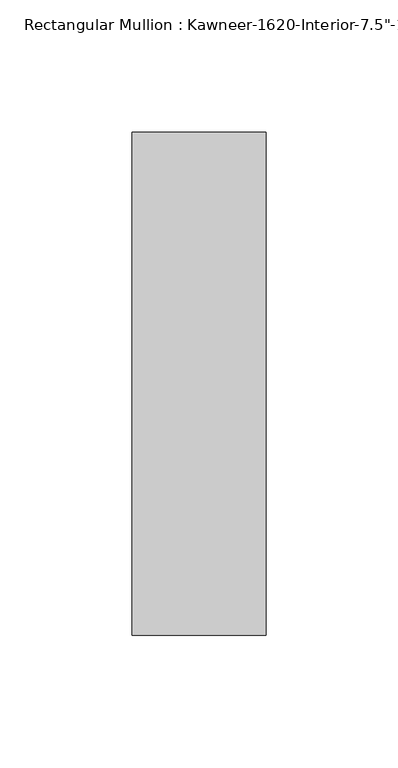
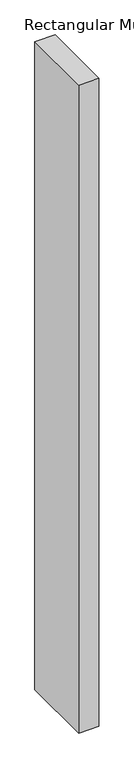
"""IFC4 building model written with IfcOpenShell, lengths in millimetres: member geometry."""

from ifc_helpers import new_model, si_unit, frame, origin, place, context, project, spatial, polyline, outline, extrude, source, transform, mapped, element, save


def member_3435abd5(model_context):
    return source(origin(), model_context, "Body", "SweptSolid", [
        extrude(outline(polyline([(25.4, 161.925), (25.4, -28.575), (-25.4, -28.575), (-25.4, 161.925), (25.4, 161.925)])), frame((0.0, 0.0, -1720.85), z_axis=(0.0, 0.0, 1.0), x_axis=(1.0, 0.0, 0.0)), (0.0, 0.0, 1.0), 1720.85),
    ])


if __name__ == "__main__":
    model = new_model("IFC4")
    model_context = context("Model", 3, world=origin())
    ifc_project = project(units=[si_unit("LENGTHUNIT", "METRE", prefix="MILLI")], contexts=[model_context])
    site = spatial("IfcSite", under=ifc_project)
    building = spatial("IfcBuilding", under=site)
    placement = place(None, origin())
    member_shape = member_3435abd5(model_context)
    element("IfcMember", 1, ObjectType="Rectangular Mullion : Kawneer-1620-Interior-7.5\"-1/4\"Infill", at=placement, inside=building, context=model_context, shape_type="MappedRepresentation", body=[
        mapped(member_shape, transform((0.0, 0.0, 0.0), x_axis=(1.0, 0.0, 0.0), y_axis=(0.0, 1.0, 0.0), z_axis=(0.0, 0.0, 1.0))),
    ])
    save(model, "model.ifc")
